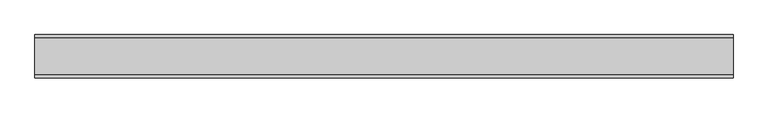
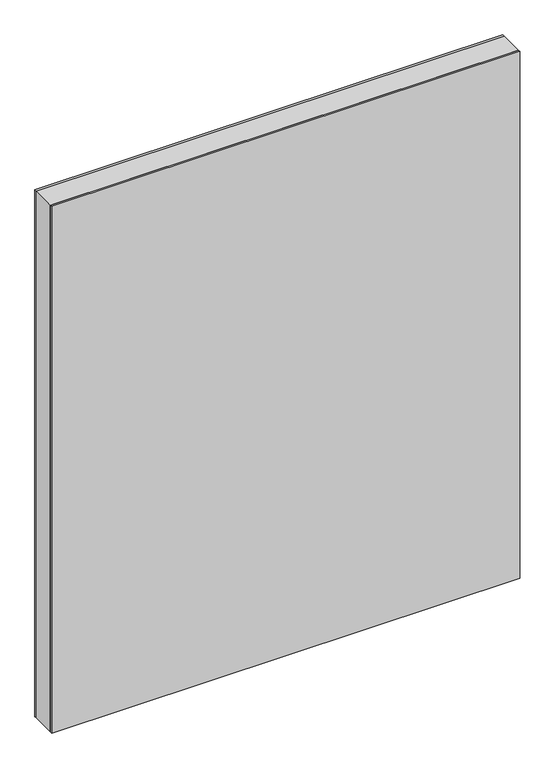
"""IFC4 building model written with IfcOpenShell, lengths in millimetres: plate geometry."""

import ifcopenshell
import ifcopenshell.guid

model = None  # the IFC model being written
_history = None  # IfcOwnerHistory: only IFC2X3 demands one
_inside = {}  # id of a spatial element -> (the spatial element, [elements in it])
_under = {}  # id of a project, library or spatial element -> (it, [spatial elements below it])
_declared = {}  # id of a project -> (the project, [libraries it declares])
_typed = {}  # id of a type object -> (the type object, [elements of that type])
_made_of = {}  # id of a material, layer set ... -> (it, [elements and type objects made of it])


def new_model(schema):
    """Start an empty IFC model of exactly this schema.

    Asked for "IFC4X3", IfcOpenShell would pick the latest addendum, in which some entities
    have other attributes; the version numbers below select the first issue.
    IFC2X3 requires an IfcOwnerHistory on every rooted entity: one is made here for all.
    """
    global model, _history
    if schema == "IFC4X3":
        model = ifcopenshell.file(schema_version=(4, 3, 0, 0))
    else:
        model = ifcopenshell.file(schema=schema)
    _inside.clear()
    _under.clear()
    _declared.clear()
    _typed.clear()
    _made_of.clear()
    _history = None
    if model.schema == "IFC2X3":
        org = make("IfcOrganization", Name="unknown")
        user = make(
            "IfcPersonAndOrganization",
            ThePerson=make("IfcPerson", FamilyName="unknown"),
            TheOrganization=org,
        )
        app = make(
            "IfcApplication",
            ApplicationDeveloper=org,
            Version="unknown",
            ApplicationFullName="unknown",
            ApplicationIdentifier="unknown",
        )
        _history = make(
            "IfcOwnerHistory",
            OwningUser=user,
            OwningApplication=app,
            ChangeAction="ADDED",
            CreationDate=0,
        )
    return model


def make(cls, **values):
    """One entity of the class cls with the attributes given. An attribute that is None is left unset."""
    return model.create_entity(
        cls, **{name: value for name, value in values.items() if value is not None}
    )


def rooted(cls, **values):
    """An entity with a GlobalId (a new one), such as an element, a storey or a relation."""
    return make(cls, GlobalId=ifcopenshell.guid.new(), OwnerHistory=_history, **values)


def si_unit(unit_type, name, prefix=None):
    """IfcSIUnit, for example si_unit("LENGTHUNIT", "METRE", prefix="MILLI")."""
    return make("IfcSIUnit", UnitType=unit_type, Prefix=prefix, Name=name)


def assignment(units):
    """IfcUnitAssignment: the units of a project."""
    return None if units is None else make("IfcUnitAssignment", Units=units)


def point(xyz):
    """IfcCartesianPoint."""
    return None if xyz is None else make("IfcCartesianPoint", Coordinates=xyz)


def direction(xyz):
    """IfcDirection."""
    return None if xyz is None else make("IfcDirection", DirectionRatios=xyz)


def frame(location, z_axis=None, x_axis=None):
    """IfcAxis2Placement3D, a coordinate frame: its origin and axes. An axis left out is left unset."""
    return make(
        "IfcAxis2Placement3D",
        Location=point(location),
        Axis=direction(z_axis),
        RefDirection=direction(x_axis),
    )


def origin():
    """The frame at (0, 0, 0) with its axes left unset."""
    return frame((0.0, 0.0, 0.0))


def origin_with_axes():
    """The frame at (0, 0, 0) with the z axis (0, 0, 1) and the x axis (1, 0, 0) written out."""
    return frame((0.0, 0.0, 0.0), z_axis=(0.0, 0.0, 1.0), x_axis=(1.0, 0.0, 0.0))


def place(relative_to, where):
    """IfcLocalPlacement: puts the frame where relative to a parent placement (None: the world)."""
    return make(
        "IfcLocalPlacement", PlacementRelTo=relative_to, RelativePlacement=where
    )


def context(
    kind, dimensions, precision=None, world=None, true_north=None, identifier=None
):
    """IfcGeometricRepresentationContext, for example the 3D "Model" context."""
    return make(
        "IfcGeometricRepresentationContext",
        ContextIdentifier=identifier,
        ContextType=kind,
        CoordinateSpaceDimension=dimensions,
        Precision=precision,
        WorldCoordinateSystem=world,
        TrueNorth=true_north,
    )


def project(units=None, contexts=None):
    """IfcProject with its units and contexts."""
    return rooted(
        "IfcProject",
        Name="project",
        RepresentationContexts=contexts,
        UnitsInContext=assignment(units),
    )


def spatial(cls, under=None, at=None, **own):
    """A site, building, storey or space (cls), placed at a placement, below another one or the project."""
    s = rooted(cls, ObjectPlacement=at, **own)
    if under is not None:
        _under.setdefault(under.id(), (under, []))[1].append(s)
    return s


def polyline(points):
    """IfcPolyline through the points."""
    return make("IfcPolyline", Points=[point(p) for p in points])


def outline(outer, holes=None, kind="AREA"):
    """IfcArbitraryClosedProfileDef: a profile drawn as a closed curve; with holes, ...WithVoids."""
    if holes is None:
        return make("IfcArbitraryClosedProfileDef", ProfileType=kind, OuterCurve=outer)
    return make(
        "IfcArbitraryProfileDefWithVoids",
        ProfileType=kind,
        OuterCurve=outer,
        InnerCurves=holes,
    )


def extrude(swept, where, along, depth):
    """IfcExtrudedAreaSolid: the profile swept, set in the frame where, extruded along a direction by depth."""
    return make(
        "IfcExtrudedAreaSolid",
        SweptArea=swept,
        Position=where,
        ExtrudedDirection=direction(along),
        Depth=depth,
    )


def shape(context_of_items, identifier, shape_type, items):
    """IfcShapeRepresentation: the items that make up one representation, for example the "Body"."""
    return make(
        "IfcShapeRepresentation",
        ContextOfItems=context_of_items,
        RepresentationIdentifier=identifier,
        RepresentationType=shape_type,
        Items=items,
    )


def source(mapping_origin, context_of_items, identifier, shape_type, items):
    """IfcRepresentationMap: a shape defined once, which mapped items show again and again."""
    return make(
        "IfcRepresentationMap",
        MappingOrigin=mapping_origin,
        MappedRepresentation=shape(context_of_items, identifier, shape_type, items),
    )


def transform(
    local_origin,
    x_axis=None,
    y_axis=None,
    z_axis=None,
    scale=None,
    scale2=None,
    scale3=None,
    uniform=True,
):
    """IfcCartesianTransformationOperator3D, or its non-uniform kind. x_axis, y_axis, z_axis: its Axis1, 2, 3."""
    if uniform:
        return make(
            "IfcCartesianTransformationOperator3D",
            Axis1=direction(x_axis),
            Axis2=direction(y_axis),
            LocalOrigin=point(local_origin),
            Scale=scale,
            Axis3=direction(z_axis),
        )
    return make(
        "IfcCartesianTransformationOperator3DnonUniform",
        Axis1=direction(x_axis),
        Axis2=direction(y_axis),
        LocalOrigin=point(local_origin),
        Scale=scale,
        Axis3=direction(z_axis),
        Scale2=scale2,
        Scale3=scale3,
    )


def mapped(mapping_source, mapping_target):
    """IfcMappedItem: shows the shape of a source again, moved by a transform."""
    return make(
        "IfcMappedItem", MappingSource=mapping_source, MappingTarget=mapping_target
    )


def made_of(thing, what):
    """Note that an element or type object is made of a material, layer set ...; save() writes the relation."""
    if what is not None:
        _made_of.setdefault(what.id(), (what, []))[1].append(thing)
    return thing


def element(
    cls,
    number,
    at=None,
    inside=None,
    cuts=None,
    type_object=None,
    material=None,
    context=None,
    identifier="Body",
    shape_type=None,
    held_by="IfcProductDefinitionShape",
    body=None,
    shapes=None,
    **own,
):
    """One element of the class cls, such as IfcWall. Its Tag is "e" and its number.

    at: its placement. inside: the storey or other place that contains it. cuts: it is an
    opening in that element (IfcRelVoidsElement). A single representation is given by context,
    identifier, shape_type and body (its items); several are given by shapes. held_by: the class
    of the entity that holds the representations. save() writes the other relations.
    """
    e = rooted(cls, Tag="e%d" % number, ObjectPlacement=at, **own)
    if body is not None:
        shapes = [shape(context, identifier, shape_type, body)]
    if shapes is not None:
        e.Representation = make(held_by, Representations=shapes)
    if inside is not None:
        _inside.setdefault(inside.id(), (inside, []))[1].append(e)
    if cuts is not None:
        rooted(
            "IfcRelVoidsElement", RelatingBuildingElement=cuts, RelatedOpeningElement=e
        )
    if type_object is not None:
        _typed.setdefault(type_object.id(), (type_object, []))[1].append(e)
    return made_of(e, material)


def aggregate(whole, parts):
    """IfcRelAggregates: a whole, such as a stair, and the parts it consists of."""
    return rooted("IfcRelAggregates", RelatingObject=whole, RelatedObjects=parts)


def save(model, path):
    """Write the relations noted so far, then the file.

    IfcRelAggregates (storeys below a building ...), IfcRelContainedInSpatialStructure (elements
    in a storey), IfcRelDefinesByType, IfcRelAssociatesMaterial and IfcRelDeclares: one each for
    every whole, place, type object, material and project.
    """
    for whole, parts in _under.values():
        aggregate(whole, parts)
    for where, things in _inside.values():
        rooted(
            "IfcRelContainedInSpatialStructure",
            RelatedElements=things,
            RelatingStructure=where,
        )
    for kind, things in _typed.values():
        rooted("IfcRelDefinesByType", RelatedObjects=things, RelatingType=kind)
    for what, things in _made_of.values():
        rooted("IfcRelAssociatesMaterial", RelatedObjects=things, RelatingMaterial=what)
    for by, libraries in _declared.values():
        rooted("IfcRelDeclares", RelatingContext=by, RelatedDefinitions=libraries)
    model.write(path)


def plate_2d63890d(model_context):
    return source(origin(), model_context, "Body", "SweptSolid", [
        extrude(outline(polyline([(1432.75, -602.1874999), (0.0, -602.1874999), (0.0, 602.1874999), (1432.75, 602.1874999), (1432.75, -602.1874999)]), holes=[polyline([(1431.75, -601.1874999), (1431.75, 601.1874999), (1.0, 601.1874999), (1.0, -601.1874999), (1431.75, -601.1874999)])]), frame((0.0, -31.2, 0.0), z_axis=(0.0, 1.0, 0.0), x_axis=(0.0, 0.0, 1.0)), (0.0, 0.0, 1.0), 62.4),
        extrude(outline(polyline([(602.1874999, 31.2), (-602.1874999, 31.2), (-602.1874999, 37.2), (602.1874999, 37.2), (602.1874999, 31.2)])), origin_with_axes(), (0.0, 0.0, 1.0), 1432.75),
        extrude(outline(polyline([(-602.1874999, -37.2), (-602.1874999, -31.2), (602.1874999, -31.2), (602.1874999, -37.2), (-602.1874999, -37.2)])), origin_with_axes(), (0.0, 0.0, 1.0), 1432.75),
    ])


if __name__ == "__main__":
    model = new_model("IFC4")
    model_context = context("Model", 3, world=origin())
    ifc_project = project(units=[si_unit("LENGTHUNIT", "METRE", prefix="MILLI")], contexts=[model_context])
    site = spatial("IfcSite", under=ifc_project)
    building = spatial("IfcBuilding", under=site)
    placement = place(None, origin())
    plate_shape = plate_2d63890d(model_context)
    element("IfcPlate", 1, at=placement, inside=building, context=model_context, shape_type="MappedRepresentation", body=[
        mapped(plate_shape, transform((0.0, 0.0, 0.0), x_axis=(1.0, 0.0, 0.0), y_axis=(0.0, 1.0, 0.0), z_axis=(0.0, 0.0, 1.0))),
    ])
    save(model, "model.ifc")
